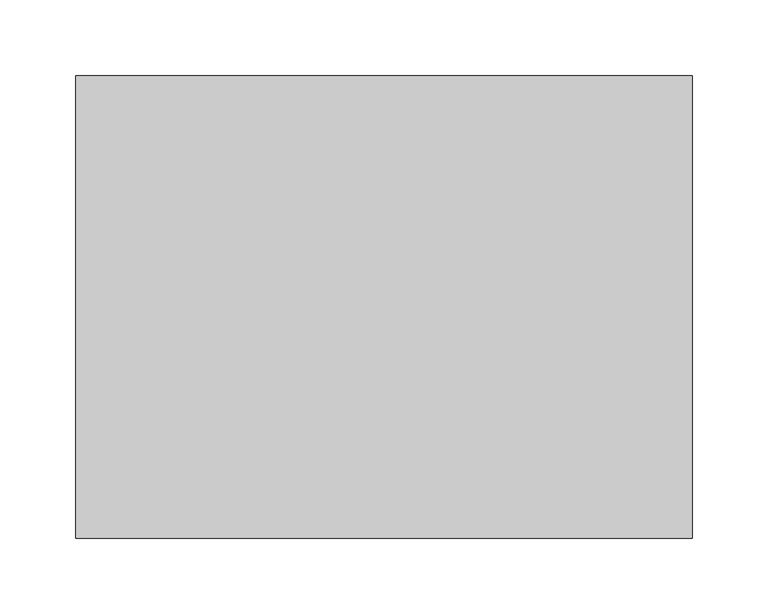
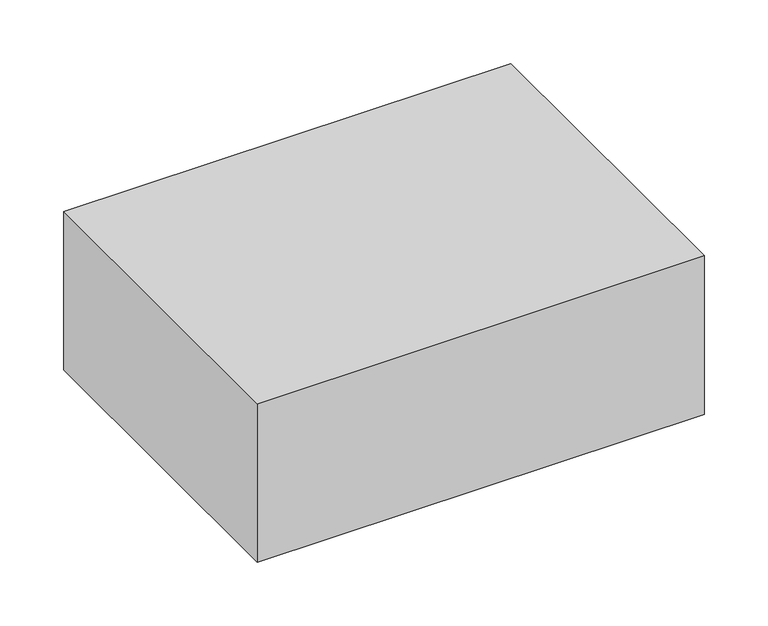
"""IFC4 building model written with IfcOpenShell, lengths in millimetres: proxy geometry."""

import ifcopenshell
import ifcopenshell.guid

model = None  # the IFC model being written
_history = None  # IfcOwnerHistory: only IFC2X3 demands one
_inside = {}  # id of a spatial element -> (the spatial element, [elements in it])
_under = {}  # id of a project, library or spatial element -> (it, [spatial elements below it])
_declared = {}  # id of a project -> (the project, [libraries it declares])
_typed = {}  # id of a type object -> (the type object, [elements of that type])
_made_of = {}  # id of a material, layer set ... -> (it, [elements and type objects made of it])


def new_model(schema):
    """Start an empty IFC model of exactly this schema.

    Asked for "IFC4X3", IfcOpenShell would pick the latest addendum, in which some entities
    have other attributes; the version numbers below select the first issue.
    IFC2X3 requires an IfcOwnerHistory on every rooted entity: one is made here for all.
    """
    global model, _history
    if schema == "IFC4X3":
        model = ifcopenshell.file(schema_version=(4, 3, 0, 0))
    else:
        model = ifcopenshell.file(schema=schema)
    _inside.clear()
    _under.clear()
    _declared.clear()
    _typed.clear()
    _made_of.clear()
    _history = None
    if model.schema == "IFC2X3":
        org = make("IfcOrganization", Name="unknown")
        user = make(
            "IfcPersonAndOrganization",
            ThePerson=make("IfcPerson", FamilyName="unknown"),
            TheOrganization=org,
        )
        app = make(
            "IfcApplication",
            ApplicationDeveloper=org,
            Version="unknown",
            ApplicationFullName="unknown",
            ApplicationIdentifier="unknown",
        )
        _history = make(
            "IfcOwnerHistory",
            OwningUser=user,
            OwningApplication=app,
            ChangeAction="ADDED",
            CreationDate=0,
        )
    return model


def make(cls, **values):
    """One entity of the class cls with the attributes given. An attribute that is None is left unset."""
    return model.create_entity(
        cls, **{name: value for name, value in values.items() if value is not None}
    )


def rooted(cls, **values):
    """An entity with a GlobalId (a new one), such as an element, a storey or a relation."""
    return make(cls, GlobalId=ifcopenshell.guid.new(), OwnerHistory=_history, **values)


def si_unit(unit_type, name, prefix=None):
    """IfcSIUnit, for example si_unit("LENGTHUNIT", "METRE", prefix="MILLI")."""
    return make("IfcSIUnit", UnitType=unit_type, Prefix=prefix, Name=name)


def assignment(units):
    """IfcUnitAssignment: the units of a project."""
    return None if units is None else make("IfcUnitAssignment", Units=units)


def point(xyz):
    """IfcCartesianPoint."""
    return None if xyz is None else make("IfcCartesianPoint", Coordinates=xyz)


def direction(xyz):
    """IfcDirection."""
    return None if xyz is None else make("IfcDirection", DirectionRatios=xyz)


def frame(location, z_axis=None, x_axis=None):
    """IfcAxis2Placement3D, a coordinate frame: its origin and axes. An axis left out is left unset."""
    return make(
        "IfcAxis2Placement3D",
        Location=point(location),
        Axis=direction(z_axis),
        RefDirection=direction(x_axis),
    )


def origin():
    """The frame at (0, 0, 0) with its axes left unset."""
    return frame((0.0, 0.0, 0.0))


def origin_with_axes():
    """The frame at (0, 0, 0) with the z axis (0, 0, 1) and the x axis (1, 0, 0) written out."""
    return frame((0.0, 0.0, 0.0), z_axis=(0.0, 0.0, 1.0), x_axis=(1.0, 0.0, 0.0))


def place(relative_to, where):
    """IfcLocalPlacement: puts the frame where relative to a parent placement (None: the world)."""
    return make(
        "IfcLocalPlacement", PlacementRelTo=relative_to, RelativePlacement=where
    )


def context(
    kind, dimensions, precision=None, world=None, true_north=None, identifier=None
):
    """IfcGeometricRepresentationContext, for example the 3D "Model" context."""
    return make(
        "IfcGeometricRepresentationContext",
        ContextIdentifier=identifier,
        ContextType=kind,
        CoordinateSpaceDimension=dimensions,
        Precision=precision,
        WorldCoordinateSystem=world,
        TrueNorth=true_north,
    )


def project(units=None, contexts=None):
    """IfcProject with its units and contexts."""
    return rooted(
        "IfcProject",
        Name="project",
        RepresentationContexts=contexts,
        UnitsInContext=assignment(units),
    )


def spatial(cls, under=None, at=None, **own):
    """A site, building, storey or space (cls), placed at a placement, below another one or the project."""
    s = rooted(cls, ObjectPlacement=at, **own)
    if under is not None:
        _under.setdefault(under.id(), (under, []))[1].append(s)
    return s


def polyline(points):
    """IfcPolyline through the points."""
    return make("IfcPolyline", Points=[point(p) for p in points])


def circle_curve(where, radius):
    """IfcCircle in the frame where."""
    return make("IfcCircle", Position=where, Radius=radius)


def outline(outer, holes=None, kind="AREA"):
    """IfcArbitraryClosedProfileDef: a profile drawn as a closed curve; with holes, ...WithVoids."""
    if holes is None:
        return make("IfcArbitraryClosedProfileDef", ProfileType=kind, OuterCurve=outer)
    return make(
        "IfcArbitraryProfileDefWithVoids",
        ProfileType=kind,
        OuterCurve=outer,
        InnerCurves=holes,
    )


def extrude(swept, where, along, depth):
    """IfcExtrudedAreaSolid: the profile swept, set in the frame where, extruded along a direction by depth."""
    return make(
        "IfcExtrudedAreaSolid",
        SweptArea=swept,
        Position=where,
        ExtrudedDirection=direction(along),
        Depth=depth,
    )


def faces_of(points, faces, orient=None, outer=None):
    """IfcFace entities. A face is a list of loops; a loop is a list of indices into points, from 0.

    orient and outer hold one flag for each loop. By default every Orientation is true, the
    first loop of a face is its IfcFaceOuterBound and the others are IfcFaceBound.
    """
    made = []
    for i, loops in enumerate(faces):
        bounds = []
        for j, loop in enumerate(loops):
            is_outer = j == 0 if outer is None else outer[i][j]
            bounds.append(
                make(
                    "IfcFaceOuterBound" if is_outer else "IfcFaceBound",
                    Bound=make("IfcPolyLoop", Polygon=[points[k] for k in loop]),
                    Orientation=True if orient is None else orient[i][j],
                )
            )
        made.append(make("IfcFace", Bounds=bounds))
    return made


def faceted_brep(points, faces, orient=None, outer=None, voids=None):
    """IfcFacetedBrep: a solid bounded by flat faces; with voids (closed shells), ...WithVoids."""
    shared = [point(p) for p in points]
    hull = make("IfcClosedShell", CfsFaces=faces_of(shared, faces, orient, outer))
    if voids is None:
        return make("IfcFacetedBrep", Outer=hull)
    return make(
        "IfcFacetedBrepWithVoids",
        Outer=hull,
        Voids=[
            make(cls, CfsFaces=faces_of(shared, fs, o, b)) for cls, fs, o, b in voids
        ],
    )


def shape(context_of_items, identifier, shape_type, items):
    """IfcShapeRepresentation: the items that make up one representation, for example the "Body"."""
    return make(
        "IfcShapeRepresentation",
        ContextOfItems=context_of_items,
        RepresentationIdentifier=identifier,
        RepresentationType=shape_type,
        Items=items,
    )


def source(mapping_origin, context_of_items, identifier, shape_type, items):
    """IfcRepresentationMap: a shape defined once, which mapped items show again and again."""
    return make(
        "IfcRepresentationMap",
        MappingOrigin=mapping_origin,
        MappedRepresentation=shape(context_of_items, identifier, shape_type, items),
    )


def transform(
    local_origin,
    x_axis=None,
    y_axis=None,
    z_axis=None,
    scale=None,
    scale2=None,
    scale3=None,
    uniform=True,
):
    """IfcCartesianTransformationOperator3D, or its non-uniform kind. x_axis, y_axis, z_axis: its Axis1, 2, 3."""
    if uniform:
        return make(
            "IfcCartesianTransformationOperator3D",
            Axis1=direction(x_axis),
            Axis2=direction(y_axis),
            LocalOrigin=point(local_origin),
            Scale=scale,
            Axis3=direction(z_axis),
        )
    return make(
        "IfcCartesianTransformationOperator3DnonUniform",
        Axis1=direction(x_axis),
        Axis2=direction(y_axis),
        LocalOrigin=point(local_origin),
        Scale=scale,
        Axis3=direction(z_axis),
        Scale2=scale2,
        Scale3=scale3,
    )


def mapped(mapping_source, mapping_target):
    """IfcMappedItem: shows the shape of a source again, moved by a transform."""
    return make(
        "IfcMappedItem", MappingSource=mapping_source, MappingTarget=mapping_target
    )


def made_of(thing, what):
    """Note that an element or type object is made of a material, layer set ...; save() writes the relation."""
    if what is not None:
        _made_of.setdefault(what.id(), (what, []))[1].append(thing)
    return thing


def element(
    cls,
    number,
    at=None,
    inside=None,
    cuts=None,
    type_object=None,
    material=None,
    context=None,
    identifier="Body",
    shape_type=None,
    held_by="IfcProductDefinitionShape",
    body=None,
    shapes=None,
    **own,
):
    """One element of the class cls, such as IfcWall. Its Tag is "e" and its number.

    at: its placement. inside: the storey or other place that contains it. cuts: it is an
    opening in that element (IfcRelVoidsElement). A single representation is given by context,
    identifier, shape_type and body (its items); several are given by shapes. held_by: the class
    of the entity that holds the representations. save() writes the other relations.
    """
    e = rooted(cls, Tag="e%d" % number, ObjectPlacement=at, **own)
    if body is not None:
        shapes = [shape(context, identifier, shape_type, body)]
    if shapes is not None:
        e.Representation = make(held_by, Representations=shapes)
    if inside is not None:
        _inside.setdefault(inside.id(), (inside, []))[1].append(e)
    if cuts is not None:
        rooted(
            "IfcRelVoidsElement", RelatingBuildingElement=cuts, RelatedOpeningElement=e
        )
    if type_object is not None:
        _typed.setdefault(type_object.id(), (type_object, []))[1].append(e)
    return made_of(e, material)


def aggregate(whole, parts):
    """IfcRelAggregates: a whole, such as a stair, and the parts it consists of."""
    return rooted("IfcRelAggregates", RelatingObject=whole, RelatedObjects=parts)


def save(model, path):
    """Write the relations noted so far, then the file.

    IfcRelAggregates (storeys below a building ...), IfcRelContainedInSpatialStructure (elements
    in a storey), IfcRelDefinesByType, IfcRelAssociatesMaterial and IfcRelDeclares: one each for
    every whole, place, type object, material and project.
    """
    for whole, parts in _under.values():
        aggregate(whole, parts)
    for where, things in _inside.values():
        rooted(
            "IfcRelContainedInSpatialStructure",
            RelatedElements=things,
            RelatingStructure=where,
        )
    for kind, things in _typed.values():
        rooted("IfcRelDefinesByType", RelatedObjects=things, RelatingType=kind)
    for what, things in _made_of.values():
        rooted("IfcRelAssociatesMaterial", RelatedObjects=things, RelatingMaterial=what)
    for by, libraries in _declared.values():
        rooted("IfcRelDeclares", RelatingContext=by, RelatedDefinitions=libraries)
    model.write(path)


def plane_surface(at):
    """IfcPlane: the flat surface through the origin of the frame at, square to its z axis."""
    return make("IfcPlane", Position=at)


def cylinder_surface(at, radius):
    """IfcCylindricalSurface: all points at the distance radius from the z axis of the frame at."""
    return make("IfcCylindricalSurface", Position=at, Radius=radius)


def advanced_brep(points, edges, surfaces, faces):
    """IfcAdvancedBrep: a solid bounded by faces that lie on surfaces and meet in shared edges.

    An edge is (start, end): straight between two places in points (the first is 0);
    or (start, end, curve); or (start, end, curve, False) where it runs against its curve.
    A face is (place in surfaces, loops), or (place, loops, False) where it looks against
    its surface's normal. A loop lists edges by number (the first is 1), with a minus sign
    where the edge is run from its end to its start. The first loop is the outer one.
    """
    corners = [point(p) for p in points]
    vertices = [make("IfcVertexPoint", VertexGeometry=c) for c in corners]
    made = []
    for start, end, *more in edges:
        made.append(
            make(
                "IfcEdgeCurve",
                EdgeStart=vertices[start],
                EdgeEnd=vertices[end],
                EdgeGeometry=more[0] if more else make("IfcPolyline", Points=[corners[start], corners[end]]),
                SameSense=more[1] if len(more) > 1 else True,
            )
        )
    hull = []
    for where, loops, *sense in faces:
        bounds = []
        for j, loop in enumerate(loops):
            ring = [make("IfcOrientedEdge", EdgeElement=made[abs(k) - 1], Orientation=k > 0) for k in loop]
            bounds.append(
                make(
                    "IfcFaceOuterBound" if j == 0 else "IfcFaceBound",
                    Bound=make("IfcEdgeLoop", EdgeList=ring),
                    Orientation=True,
                )
            )
        hull.append(make("IfcAdvancedFace", Bounds=bounds, FaceSurface=surfaces[where], SameSense=sense[0] if sense else True))
    return make("IfcAdvancedBrep", Outer=make("IfcClosedShell", CfsFaces=hull))


def specialty_equipment_5f64b538(model_context):
    return source(origin(), model_context, "Body", "SolidModel", [
        advanced_brep(
        [(-134.8279388, 159.2813257, 76.2), (-134.8279388, 146.5813257, 76.2), (-88.5288579, 146.5813257, 76.2), (-64.540234, 152.4, 76.2), (-87.9143784, 159.2813257, 76.2), (-134.8279388, 146.5813257, 58.4051365), (-134.8279388, 159.2813257, 58.4051365), (-87.9143784, 159.2813257, 58.4051365), (-89.940234, 152.4, 58.4051365), (-88.5288579, 146.5813257, 58.4051365), (-89.940234, 152.4, 25.4), (-64.540234, 152.4, 25.4)],
        [
            (0, 1),
            (1, 2),
            (2, 3, circle_curve(frame((-77.240234, 152.4, 76.2), z_axis=(0.0, 0.0, 1.0), x_axis=(1.0, 0.0, 0.0)), 12.7)),
            (3, 4, circle_curve(frame((-77.240234, 152.4, 76.2), z_axis=(0.0, 0.0, 1.0), x_axis=(1.0, 0.0, 0.0)), 12.7)),
            (4, 0),
            (5, 6),
            (6, 7),
            (7, 8, circle_curve(frame((-77.240234, 152.4, 58.4051365), z_axis=(0.0, 0.0, 1.0), x_axis=(1.0, 0.0, 0.0)), 12.7)),
            (8, 9, circle_curve(frame((-77.240234, 152.4, 58.4051365), z_axis=(0.0, 0.0, 1.0), x_axis=(1.0, 0.0, 0.0)), 12.7)),
            (9, 5),
            (0, 6),
            (5, 1),
            (9, 2),
            (4, 7),
            (10, 11, circle_curve(frame((-77.240234, 152.4, 25.4), z_axis=(0.0, 0.0, -1.0), x_axis=(1.0, 0.0, 0.0)), 12.7)),
            (11, 10, circle_curve(frame((-77.240234, 152.4, 25.4), z_axis=(0.0, 0.0, -1.0), x_axis=(1.0, 0.0, 0.0)), 12.7)),
            (11, 3),
            (8, 10),
        ],
        [
            plane_surface(frame((-134.8279388, 159.2813257, 76.2), z_axis=(0.0, 0.0, 1.0), x_axis=(0.0, -1.0, 0.0))),
            plane_surface(frame((-134.8279388, 159.2813257, 58.4051365), z_axis=(0.0, 0.0, -1.0), x_axis=(0.0, 1.0, 0.0))),
            plane_surface(frame((-134.8279388, 159.2813257, 76.2), z_axis=(-1.0, 0.0, 0.0), x_axis=(0.0, 0.0, -1.0))),
            plane_surface(frame((-134.8279388, 146.5813257, 76.2), z_axis=(0.0, -1.0, 0.0), x_axis=(0.0, 0.0, -1.0))),
            plane_surface(frame((-77.6779388, 159.2813257, 76.2), z_axis=(0.0, 1.0, 0.0), x_axis=(0.0, 0.0, -1.0))),
            plane_surface(frame((-64.540234, 152.4, 25.4), z_axis=(0.0, 0.0, -1.0), x_axis=(0.0, -1.0, 0.0))),
            cylinder_surface(frame((-77.240234, 152.4, 25.4), z_axis=(0.0, 0.0, 1.0), x_axis=(1.0, 0.0, 0.0)), 12.7),
        ],
        [
            (0, [[1, 2, 3, 4, 5]]),
            (1, [[6, 7, 8, 9, 10]]),
            (2, [[-1, 11, -6, 12]]),
            (3, [[-12, -10, 13, -2]]),
            (4, [[-11, -5, 14, -7]]),
            (5, [[15, 16]]),
            (6, [[-16, 17, -3, -13, -9, 18]]),
            (6, [[-15, -18, -8, -14, -4, -17]]),
        ],
    ),
        advanced_brep(
        [(19.6525292, 159.2813257, 76.2), (19.6525292, 146.5813257, 76.2), (65.9516102, 146.5813257, 76.2), (89.940234, 152.4, 76.2), (66.5660897, 159.2813257, 76.2), (19.6525292, 146.5813257, 58.4051365), (19.6525292, 159.2813257, 58.4051365), (66.5660897, 159.2813257, 58.4051365), (64.540234, 152.4, 58.4051365), (65.9516102, 146.5813257, 58.4051365), (64.540234, 152.4, 25.4), (89.940234, 152.4, 25.4)],
        [
            (0, 1),
            (1, 2),
            (2, 3, circle_curve(frame((77.240234, 152.4, 76.2), z_axis=(0.0, 0.0, 1.0), x_axis=(1.0, 0.0, 0.0)), 12.7)),
            (3, 4, circle_curve(frame((77.240234, 152.4, 76.2), z_axis=(0.0, 0.0, 1.0), x_axis=(1.0, 0.0, 0.0)), 12.7)),
            (4, 0),
            (5, 6),
            (6, 7),
            (7, 8, circle_curve(frame((77.240234, 152.4, 58.4051365), z_axis=(0.0, 0.0, 1.0), x_axis=(1.0, 0.0, 0.0)), 12.7)),
            (8, 9, circle_curve(frame((77.240234, 152.4, 58.4051365), z_axis=(0.0, 0.0, 1.0), x_axis=(1.0, 0.0, 0.0)), 12.7)),
            (9, 5),
            (0, 6),
            (5, 1),
            (9, 2),
            (4, 7),
            (10, 11, circle_curve(frame((77.240234, 152.4, 25.4), z_axis=(0.0, 0.0, -1.0), x_axis=(1.0, 0.0, 0.0)), 12.7)),
            (11, 10, circle_curve(frame((77.240234, 152.4, 25.4), z_axis=(0.0, 0.0, -1.0), x_axis=(1.0, 0.0, 0.0)), 12.7)),
            (11, 3),
            (8, 10),
        ],
        [
            plane_surface(frame((-134.8279388, 159.2813257, 76.2), z_axis=(0.0, 0.0, 1.0), x_axis=(0.0, -1.0, 0.0))),
            plane_surface(frame((-134.8279388, 159.2813257, 58.4051365), z_axis=(0.0, 0.0, -1.0), x_axis=(0.0, 1.0, 0.0))),
            plane_surface(frame((19.6525292, 159.2813257, 76.2), z_axis=(-1.0, 0.0, 0.0), x_axis=(0.0, 0.0, -1.0))),
            plane_surface(frame((19.6525292, 146.5813257, 76.2), z_axis=(0.0, -1.0, 0.0), x_axis=(0.0, 0.0, -1.0))),
            plane_surface(frame((76.8025292, 159.2813257, 76.2), z_axis=(0.0, 1.0, 0.0), x_axis=(0.0, 0.0, -1.0))),
            plane_surface(frame((-64.540234, 152.4, 25.4), z_axis=(0.0, 0.0, -1.0), x_axis=(0.0, -1.0, 0.0))),
            cylinder_surface(frame((77.240234, 152.4, -25.4), z_axis=(0.0, 0.0, 1.0), x_axis=(1.0, 0.0, 0.0)), 12.7),
        ],
        [
            (0, [[1, 2, 3, 4, 5]]),
            (1, [[6, 7, 8, 9, 10]]),
            (2, [[-1, 11, -6, 12]]),
            (3, [[-12, -10, 13, -2]]),
            (4, [[-11, -5, 14, -7]]),
            (5, [[15, 16]]),
            (6, [[-16, 17, -3, -13, -9, 18]]),
            (6, [[-15, -18, -8, -14, -4, -17]]),
        ],
    ),
        faceted_brep([(177.8, 266.7, 0.0), (-177.8, 266.7, 0.0), (-177.8, 266.7, 76.2), (177.8, 266.7, 76.2), (177.8, 38.1, 0.0), (177.8, 38.1, 76.2), (-177.8, 38.1, 76.2), (-177.8, 38.1, 0.0), (152.4, 63.5, 76.2), (-152.4, 63.5, 76.2), (-152.4, 241.3, 76.2), (152.4, 241.3, 76.2), (-152.4, 63.5, 25.4), (152.4, 63.5, 25.4), (152.4, 241.3, 25.4), (-152.4, 241.3, 25.4)], [[[0, 1, 2, 3]], [[4, 5, 6, 7]], [[1, 0, 4, 7]], [[2, 1, 7, 6]], [[3, 2, 6, 5], [8, 9, 10, 11]], [[0, 3, 5, 4]], [[12, 13, 14, 15]], [[13, 12, 9, 8]], [[14, 13, 8, 11]], [[15, 14, 11, 10]], [[12, 15, 10, 9]]]),
        extrude(outline(polyline([(203.2, 304.8), (203.2, 0.0), (-203.2, 0.0), (-203.2, 304.8), (203.2, 304.8)])), origin_with_axes(), (0.0, 0.0, 1.0), 152.4),
    ])


if __name__ == "__main__":
    model = new_model("IFC4")
    model_context = context("Model", 3, world=origin())
    ifc_project = project(units=[si_unit("LENGTHUNIT", "METRE", prefix="MILLI")], contexts=[model_context])
    site = spatial("IfcSite", under=ifc_project)
    building = spatial("IfcBuilding", under=site)
    placement = place(None, origin())
    specialty_equipment_shape = specialty_equipment_5f64b538(model_context)
    element("IfcBuildingElementProxy", 1, Name="Specialty Equipment", at=placement, inside=building, context=model_context, shape_type="MappedRepresentation", body=[
        mapped(specialty_equipment_shape, transform((0.0, 0.0, 0.0), x_axis=(1.0, 0.0, 0.0), y_axis=(0.0, 1.0, 0.0), z_axis=(0.0, 0.0, 1.0))),
    ])
    save(model, "model.ifc")
